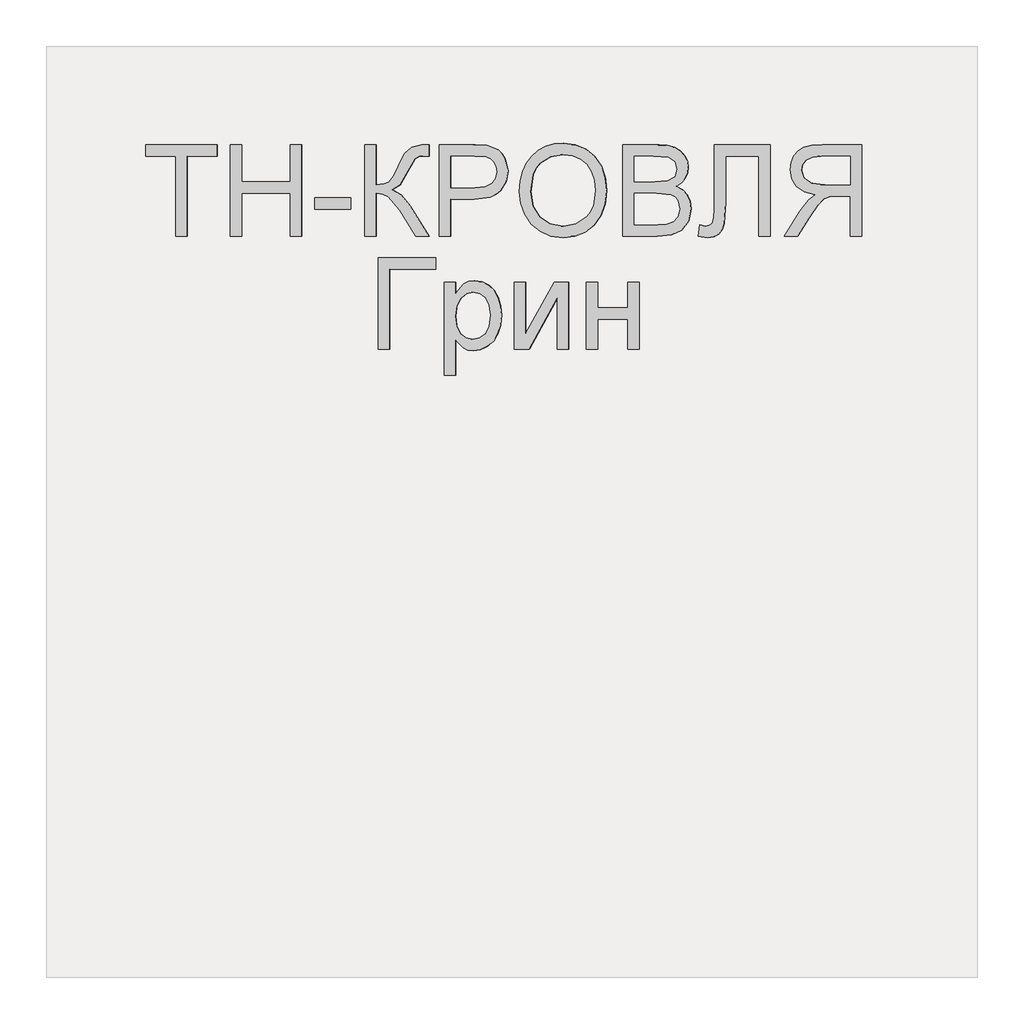
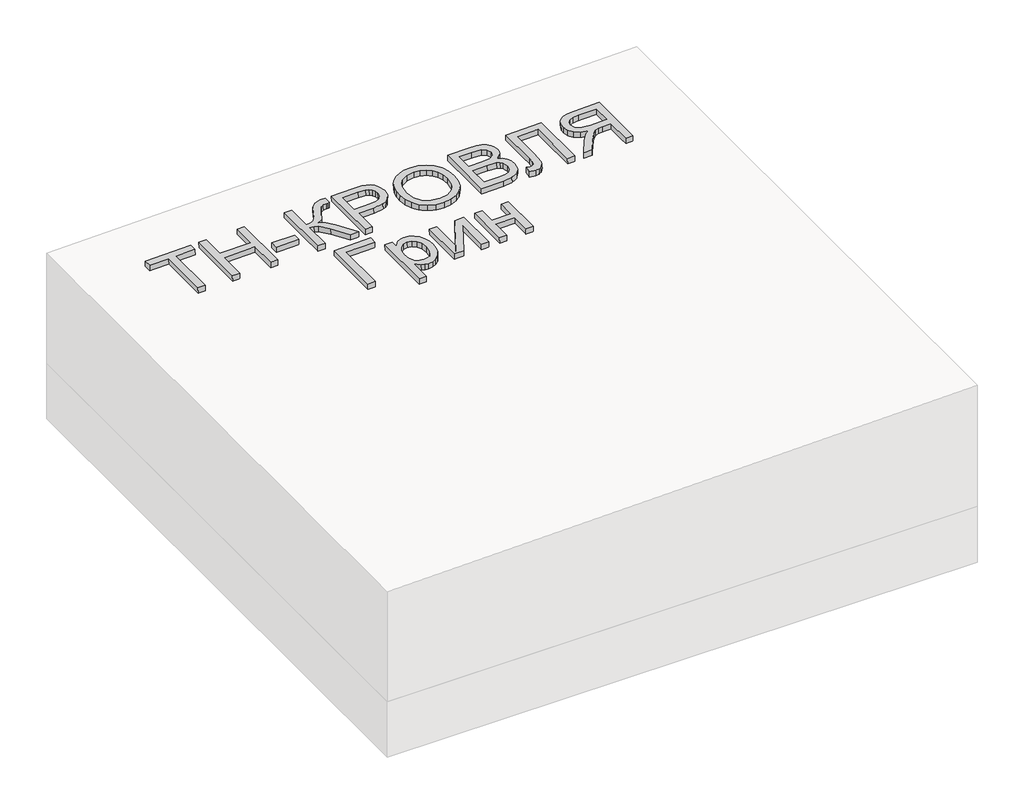
# One storey, part 3 of 3: 1 proxy.
"""IFC4 building model written with IfcOpenShell, lengths in millimetres."""

from ifc_helpers import new_model, si_unit, frame, origin, place, context, project, spatial, polyline, outline, extrude, element, save

model = new_model("IFC4")

# Units and contexts
model_context = context("Model", 3, world=origin())
ifc_project = project(units=[si_unit("LENGTHUNIT", "METRE", prefix="MILLI")], contexts=[model_context])

# Site, building, storey
site = spatial("IfcSite", under=ifc_project)
building = spatial("IfcBuilding", under=site)
storey = spatial("IfcBuildingStorey", under=building, Elevation=0.0)

# Proxy
placement = place(None, origin())
element("IfcBuildingElementProxy", 1, Name="Generic Models", at=placement, inside=storey, context=model_context, shape_type="SweptSolid", body=[
    extrude(outline(polyline([(24.6153846, 0.0), (24.6153846, -172.3076923), (89.2307692, -172.3076923), (89.2307692, -196.9230769), (-64.6153846, -196.9230769), (-64.6153846, -172.3076923), (0.0, -172.3076923), (0.0, 0.0), (24.6153846, 0.0)])), frame((34009.2413802, -4710.2316754, 400.0569157), z_axis=(-0.01999600119956399, 0.0, 0.9998000599800078), x_axis=(-0.9998000599800078, 0.0, -0.01999600119956399)), (0.0, 0.0, 1.0), 20.0),
    extrude(outline(polyline([(24.6153846, 0.0), (24.6153846, -196.9230769), (0.0, -196.9230769), (0.0, -116.9230769), (-104.6153847, -116.9230769), (-104.6153847, -196.9230769), (-129.2307693, -196.9230769), (-129.2307693, 0.0), (-104.6153847, 0.0), (-104.6153847, -92.3076923), (0.0, -92.3076923), (0.0, 0.0), (24.6153846, 0.0)])), frame((34126.1410795, -4710.2316754, 402.3949097), z_axis=(-0.01999600119956399, 0.0, 0.9998000599800078), x_axis=(-0.9998000599800078, 0.0, -0.01999600119956399)), (0.0, 0.0, 1.0), 20.0),
    extrude(outline(polyline([(76.9230769, 0.0), (76.9230769, -24.6153846), (0.0, -24.6153846), (0.0, 0.0), (76.9230769, 0.0)])), frame((34359.9404782, -4651.7701369, 407.0708977), z_axis=(-0.01999600119956399, 0.0, 0.9998000599800078), x_axis=(-0.9998000599800078, 0.0, -0.01999600119956399)), (0.0, 0.0, 1.0), 20.0),
    extrude(outline(polyline([(196.9230769, 0.0), (196.9230769, -24.6153846), (110.7692308, -24.6153846), (112.3978365, -41.280048), (117.2836538, -52.1394231), (128.7800481, -60.9194711), (150.2403846, -71.3461539), (177.7644231, -84.9278846), (191.3942308, -100.3125), (196.9230769, -122.3076923), (196.6346154, -138.4615384), (172.0192308, -138.4615384), (172.1634615, -133.0288461), (172.3076923, -127.5961538), (170.8293269, -116.3221153), (166.3942308, -108.3653846), (141.0576923, -93.75), (110.1923077, -76.3221153), (100.0, -59.326923), (88.8701923, -78.3293269), (65.6730769, -97.0673076), (0.0, -138.4615384), (0.0, -109.9038461), (55.4807692, -74.9038461), (84.4471154, -50.2644231), (90.3425481, -38.8882211), (92.3076923, -24.6153846), (0.0, -24.6153846), (0.0, 0.0), (196.9230769, 0.0)])), frame((34390.703557, -4710.2316754, 407.6861592), z_axis=(-0.019996001199563986, 0.0, 0.9998000599800078), x_axis=(0.0, 1.0, 0.0)), (0.0, 0.0, 1.0), 20.0),
    extrude(outline(polyline([(24.6153846, 0.0), (24.6153846, -196.9230769), (-48.3653846, -196.9230769), (-77.7884615, -195.0480769), (-101.7067307, -185.8413461), (-110.4026442, -177.6802885), (-117.2115385, -166.8028846), (-123.076923, -139.9519231), (-119.1165865, -116.7427885), (-107.2355769, -97.4038461), (-97.7208533, -89.7896635), (-85.0180288, -84.3509615), (-50.0480769, -80.0), (0.0, -80.0), (0.0, 0.0), (24.6153846, 0.0)]), holes=[polyline([(0.0, -104.6153846), (-51.4903846, -104.6153846), (-73.3173077, -106.875), (-87.7403846, -113.6538461), (-95.78125, -124.53125), (-98.4615384, -139.0865385), (-96.8810096, -150.1442308), (-92.1394231, -159.4711538), (-84.8257212, -166.4903846), (-75.5288461, -170.625), (-50.9134615, -172.3076923), (0.0, -172.3076923), (0.0, -104.6153846)])]), frame((34575.2820296, -4710.2316754, 411.3777287), z_axis=(-0.01999600119956399, 0.0, 0.9998000599800078), x_axis=(-0.9998000599800078, 0.0, -0.01999600119956399)), (0.0, 0.0, 1.0), 20.0),
    extrude(outline(polyline([(25.3428445, -1e-07), (48.1160484, -4.1938573), (67.8912361, -11.3545774), (84.6684074, -21.48216), (98.4475626, -34.5766053), (108.9049086, -49.9093782), (115.7166524, -66.7519435), (118.8827941, -85.1043011), (118.4033337, -104.9664512), (112.3116986, -130.2760814), (100.0658902, -152.2136344), (82.4868293, -169.6009171), (60.3954366, -181.2597367), (34.812491, -187.0380148), (6.7587717, -186.7836729), (-21.0136463, -180.6528553), (-44.9882084, -168.8870738), (-63.9421569, -152.1247695), (-76.6527338, -131.0043835), (-83.1347827, -107.1750808), (-83.4031474, -82.2860261), (-77.1659621, -56.5935493), (-64.600884, -34.5586152), (-46.7404789, -17.2511253), (-24.6173127, -5.740981), (0.0, 0.0), (25.3428445, -1e-07)]), holes=[polyline([(22.3721769, -24.4366545), (-8.7890431, -25.9094148), (-33.7562618, -37.9787803), (-50.9832576, -58.3865327), (-58.9238091, -84.8744542), (-57.0179297, -112.8610055), (-44.5775814, -136.6179286), (-34.5460353, -146.3414542), (-22.1589798, -153.8699217), (9.6816594, -162.341683), (31.570013, -162.6815636), (50.9840871, -158.5364568), (67.4340475, -150.0149318), (80.43006, -137.2255582), (89.4380632, -121.0520254), (93.9239955, -102.3780232), (92.2935561, -75.5530128), (81.0850249, -51.6494365), (71.4163804, -41.5325654), (58.4080243, -33.6248114), (22.3721769, -24.4366545)])]), frame((34725.7567453, -4639.5525889, 414.387223), z_axis=(-0.01999600119956399, 0.0, 0.9998000599800078), x_axis=(-0.11095588221402988, 0.9938228553011785, -0.002219117644276566)), (0.0, 0.0, 1.0), 20.0),
    extrude(outline(polyline([(74.5673077, 0.0), (74.5673077, -196.9230769), (-0.576923, -196.9230769), (-21.2439904, -195.4747596), (-37.3798077, -191.1298077), (-49.7475961, -183.7800481), (-59.110577, -173.3173077), (-65.0060096, -161.0096154), (-66.9711538, -148.125), (-65.3185096, -136.2680288), (-60.3605769, -125.1201923), (-52.061298, -115.3665865), (-40.3846154, -107.6923077), (-54.3329327, -100.4086538), (-64.6394231, -89.3269231), (-71.0036058, -75.1802885), (-73.125, -58.7019231), (-67.3317308, -32.2355769), (-52.9807693, -13.3894231), (-31.5625, -3.3894231), (0.0, 0.0), (74.5673077, 0.0)]), holes=[polyline([(49.9519231, -116.9230769), (5.0, -116.9230769), (-21.25, -119.0384615), (-37.0432692, -128.1490385), (-42.3557692, -144.1826923), (-37.4038461, -160.2403846), (-23.2211538, -169.7355769), (8.4134616, -172.3076923), (49.9519231, -172.3076923), (49.9519231, -116.9230769)]), polyline([(49.9519231, -24.6153846), (-0.5288461, -24.6153846), (-18.7980769, -25.5769231), (-34.2548077, -30.9375), (-44.4951923, -41.875), (-48.5096154, -58.4615385), (-43.7980769, -77.5961538), (-37.6262019, -84.5132211), (-28.5336538, -89.0144231), (1.875, -92.3076923), (49.9519231, -92.3076923), (49.9519231, -24.6153846)])]), frame((35018.9913735, -4710.2316754, 420.2519156), z_axis=(-0.019996001199563986, 0.0, 0.9998000599800078), x_axis=(-0.9998000599800078, 0.0, -0.019996001199563986)), (0.0, 0.0, 1.0), 20.0),
    extrude(outline(polyline([(137.6442308, 0.0), (137.6442308, -120.0), (-59.2788461, -120.0), (-59.2788461, -95.3846154), (113.0288462, -95.3846154), (113.0288462, -24.6153846), (12.548077, -24.6153846), (-32.2836538, -21.7548077), (-44.951923, -17.3257212), (-54.4471153, -9.7596154), (-60.3786057, 0.6009616), (-62.3557692, 13.4134615), (-59.2788461, 33.8461538), (-34.6634615, 30.7692308), (-37.7403846, 18.9903846), (-36.0877403, 10.6670673), (-31.1298076, 4.7355769), (-20.0420673, 1.1838942), (0.0, 0.0), (137.6442308, 0.0)])), frame((35141.3226789, -4650.9528293, 422.6985417), z_axis=(-0.019996001199563986, 0.0, 0.9998000599800078), x_axis=(0.0, 1.0, 0.0)), (0.0, 0.0, 1.0), 20.0),
    extrude(outline(polyline([(24.6153846, -110.7692308), (0.0, -110.7692308), (0.0, -24.6153847), (-29.7115384, -24.6153847), (-43.9903846, -25.4807693), (-55.6971154, -30.1682693), (-68.7019231, -42.9326923), (-87.2115385, -69.9519231), (-112.8365384, -110.7692308), (-141.4423077, -110.7692308), (-108.6057692, -57.4038462), (-88.6538462, -32.0673077), (-74.6634615, -21.5384616), (-98.9122596, -15.0120193), (-115.889423, -3.2211539), (-125.8954326, 12.8605769), (-129.2307692, 32.2596153), (-127.2175481, 47.8545673), (-121.1778846, 62.0432692), (-111.7668269, 73.4855769), (-99.6394231, 80.8413461), (-83.046875, 84.8257211), (-60.2403846, 86.1538461), (24.6153846, 86.1538461), (24.6153846, -110.7692308)]), holes=[polyline([(0.0, 0.0), (0.0, 61.5384615), (-61.2980769, 61.5384615), (-80.7752404, 59.4110577), (-94.2067308, 53.0288461), (-102.0132211, 43.3533653), (-104.6153846, 31.3461538), (-99.1586538, 14.639423), (-83.1971153, 3.4855769), (-55.0961538, 0.0), (0.0, 0.0)])]), frame((35433.5719272, -4599.4624446, 428.5435266), z_axis=(-0.01999600119956399, 0.0, 0.9998000599800078), x_axis=(0.9998000599800078, 0.0, 0.01999600119956399)), (0.0, 0.0, 1.0), 20.0),
    extrude(outline(polyline([(196.9230769, 0.0), (196.9230769, -123.0769231), (172.3076923, -123.0769231), (172.3076923, -24.6153846), (0.0, -24.6153846), (0.0, 0.0), (196.9230769, 0.0)])), frame((34419.9284818, -4953.3085985, 408.2706577), z_axis=(-0.019996001199563986, 0.0, 0.9998000599800078), x_axis=(0.0, 1.0, 0.0)), (0.0, 0.0, 1.0), 20.0),
    extrude(outline(polyline([(24.6153846, 0.0), (24.6153846, -200.0), (0.0, -200.0), (0.0, -175.8653846), (-17.0192308, -196.2740385), (-27.5000001, -201.376202), (-40.0, -203.0769231), (-56.6466346, -200.6971154), (-71.2019231, -193.5576923), (-83.0528847, -182.0913462), (-91.5865385, -166.7307693), (-96.7427885, -148.59375), (-98.4615385, -128.798077), (-96.5204327, -107.7463943), (-90.6971154, -88.9182693), (-81.1778846, -73.2692308), (-68.1490385, -61.7548077), (-52.9747597, -54.6694712), (-37.0192308, -52.3076923), (-25.7031251, -53.8882212), (-15.6009616, -58.6298077), (0.0, -74.6153846), (0.0, 0.0), (24.6153846, 0.0)]), holes=[polyline([(0.0, -126.5384616), (-2.6622597, -104.4711539), (-10.6490385, -89.0384616), (-22.4338942, -79.9519231), (-36.4903847, -76.923077), (-50.7752404, -80.0600962), (-62.8605769, -89.4711539), (-71.0997597, -105.46875), (-73.8461539, -128.3653846), (-71.1658654, -150.3125), (-63.125, -165.9615385), (-51.3581732, -175.3365385), (-37.5000001, -178.4615385), (-23.5877404, -175.1382212), (-11.3701924, -165.1682693), (-2.8425481, -148.8641827), (0.0, -126.5384616)])]), frame((34586.0491071, -5008.6932139, 411.5930702), z_axis=(-0.01999600119956399, 0.0, 0.9998000599800078), x_axis=(-0.9998000599800078, 0.0, -0.01999600119956399)), (0.0, 0.0, 1.0), 20.0),
    extrude(outline(polyline([(144.6153846, 0.0), (144.6153846, -24.6153846), (34.3269231, -24.6153846), (144.6153846, -85.0961538), (144.6153846, -116.9230769), (0.0, -116.9230769), (0.0, -92.3076923), (109.6153846, -92.3076923), (0.0, -32.2115385), (0.0, 0.0), (144.6153846, 0.0)])), frame((34712.1777301, -4953.3085985, 414.1156427), z_axis=(-0.019996001199563986, 0.0, 0.9998000599800078), x_axis=(0.0, 1.0, 0.0)), (0.0, 0.0, 1.0), 20.0),
    extrude(outline(polyline([(144.6153846, 0.0), (144.6153846, -24.6153846), (89.2307692, -24.6153846), (89.2307692, -89.2307693), (144.6153846, -89.2307693), (144.6153846, -113.8461539), (0.0, -113.8461539), (0.0, -89.2307693), (64.6153846, -89.2307693), (64.6153846, -24.6153846), (0.0, -24.6153846), (0.0, 0.0), (144.6153846, 0.0)])), frame((34865.9931239, -4953.3085985, 417.1919506), z_axis=(-0.019996001199563986, 0.0, 0.9998000599800078), x_axis=(0.0, 1.0, 0.0)), (0.0, 0.0, 1.0), 20.0),
])

save(model, "model.ifc")
